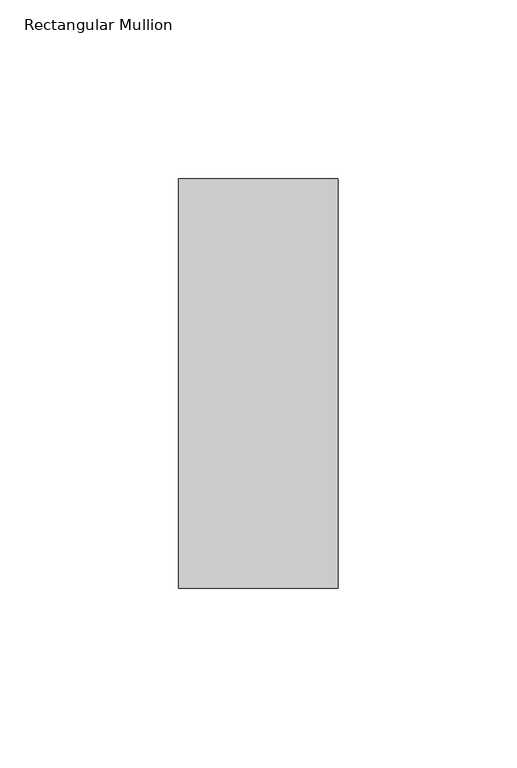
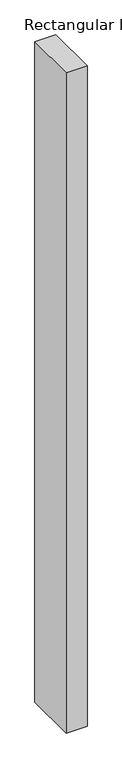
"""IFC4 building model written with IfcOpenShell, lengths in millimetres: member geometry, Rectangular Mullion."""

from ifc_helpers import new_model, si_unit, frame, origin, place, context, project, spatial, polyline, outline, extrude, source, transform, mapped, element, save


def rectangular_mullion_720cff25(model_context):
    return source(origin(), model_context, "Body", "SweptSolid", [
        extrude(outline(polyline([(0.0, 56.3844454), (0.0, -57.9084454), (-44.45, -57.9084454), (-44.45, 56.3844454), (0.0, 56.3844454)])), frame((0.0, 0.0, -1479.55), z_axis=(0.0, 0.0, 1.0), x_axis=(1.0, 0.0, 0.0)), (0.0, 0.0, 1.0), 1479.55),
    ])


if __name__ == "__main__":
    model = new_model("IFC4")
    model_context = context("Model", 3, world=origin())
    ifc_project = project(units=[si_unit("LENGTHUNIT", "METRE", prefix="MILLI")], contexts=[model_context])
    site = spatial("IfcSite", under=ifc_project)
    building = spatial("IfcBuilding", under=site)
    placement = place(None, origin())
    rectangular_mullion_shape = rectangular_mullion_720cff25(model_context)
    element("IfcMember", 1, ObjectType="Rectangular Mullion", at=placement, inside=building, context=model_context, shape_type="MappedRepresentation", body=[
        mapped(rectangular_mullion_shape, transform((0.0, 0.0, 0.0), x_axis=(1.0, 0.0, 0.0), y_axis=(0.0, 1.0, 0.0), z_axis=(0.0, 0.0, 1.0))),
    ])
    save(model, "model.ifc")
